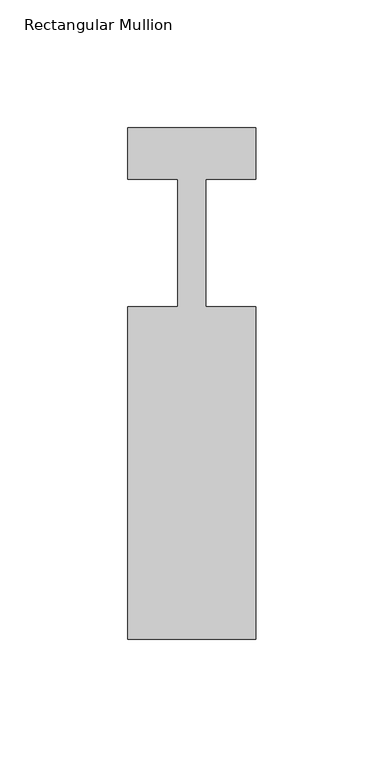
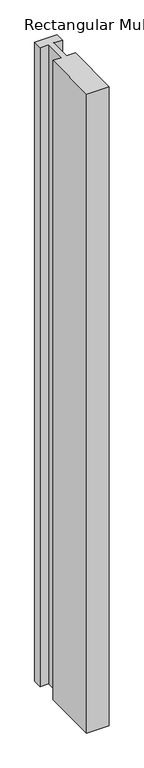
"""IFC4 building model written with IfcOpenShell, lengths in millimetres: member geometry, Rectangular Mullion."""

from ifc_helpers import new_model, si_unit, frame, origin, place, context, project, spatial, polyline, outline, extrude, source, transform, mapped, element, save


def rectangular_mullion_ffd9a129(model_context):
    return source(origin(), model_context, "Body", "SweptSolid", [
        extrude(outline(polyline([(25.0, -153.0), (-25.0, -153.0), (-25.0, -23.0), (-5.4999999, -23.0), (-5.4999999, 27.0), (-25.0, 27.0), (-25.0, 47.0), (25.0, 47.0), (25.0, 27.0), (5.5, 27.0), (5.5, -23.0), (25.0, -23.0), (25.0, -153.0)])), frame((0.0, 0.0, -1500.0), z_axis=(0.0, 0.0, 1.0), x_axis=(1.0, 0.0, 0.0)), (0.0, 0.0, 1.0), 1500.0),
    ])


if __name__ == "__main__":
    model = new_model("IFC4")
    model_context = context("Model", 3, world=origin())
    ifc_project = project(units=[si_unit("LENGTHUNIT", "METRE", prefix="MILLI")], contexts=[model_context])
    site = spatial("IfcSite", under=ifc_project)
    building = spatial("IfcBuilding", under=site)
    placement = place(None, origin())
    rectangular_mullion_shape = rectangular_mullion_ffd9a129(model_context)
    element("IfcMember", 1, ObjectType="Rectangular Mullion", at=placement, inside=building, context=model_context, shape_type="MappedRepresentation", body=[
        mapped(rectangular_mullion_shape, transform((0.0, 0.0, 0.0), x_axis=(1.0, 0.0, 0.0), y_axis=(0.0, 1.0, 0.0), z_axis=(0.0, 0.0, 1.0))),
    ])
    save(model, "model.ifc")
